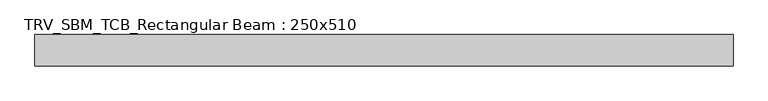
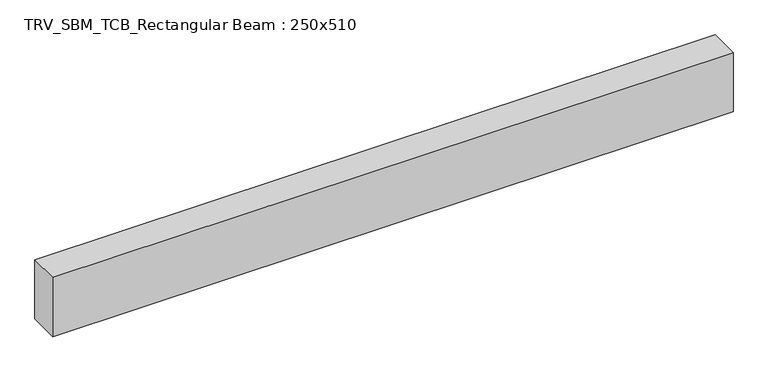
"""IFC4 building model written with IfcOpenShell, lengths in millimetres: beam geometry, TRV_SBM_TCB_Rectangular Beam : 250x510."""

from ifc_helpers import new_model, si_unit, frame, origin, place, context, project, spatial, polyline, outline, extrude, source, transform, mapped, element, save


def trv_sbm_tcb_rectangular_beam_250x510_99cf50d0(model_context):
    return source(origin(), model_context, "Body", "SweptSolid", [
        extrude(outline(polyline([(2770.2, 125.0), (2770.2, -125.0), (-2770.2, -125.0), (-2770.2, 125.0), (2770.2, 125.0)])), frame((0.0, 0.0, -255.0), z_axis=(0.0, 0.0, 1.0), x_axis=(1.0, 0.0, 0.0)), (0.0, 0.0, 1.0), 510.0),
    ])


if __name__ == "__main__":
    model = new_model("IFC4")
    model_context = context("Model", 3, world=origin())
    ifc_project = project(units=[si_unit("LENGTHUNIT", "METRE", prefix="MILLI")], contexts=[model_context])
    site = spatial("IfcSite", under=ifc_project)
    building = spatial("IfcBuilding", under=site)
    placement = place(None, origin())
    trv_sbm_tcb_rectangular_beam_250x510_shape = trv_sbm_tcb_rectangular_beam_250x510_99cf50d0(model_context)
    element("IfcBeam", 1, ObjectType="TRV_SBM_TCB_Rectangular Beam : 250x510", at=placement, inside=building, context=model_context, shape_type="MappedRepresentation", body=[
        mapped(trv_sbm_tcb_rectangular_beam_250x510_shape, transform((0.0, 0.0, 0.0), x_axis=(1.0, 0.0, 0.0), y_axis=(0.0, 1.0, 0.0), z_axis=(0.0, 0.0, 1.0))),
    ])
    save(model, "model.ifc")
